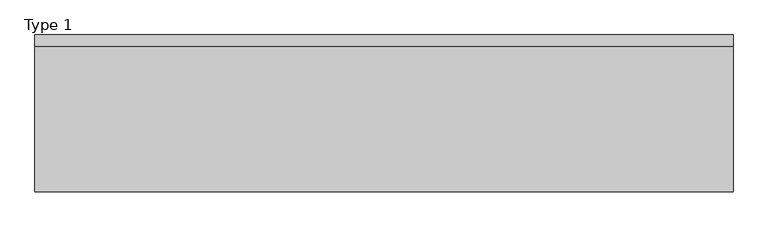
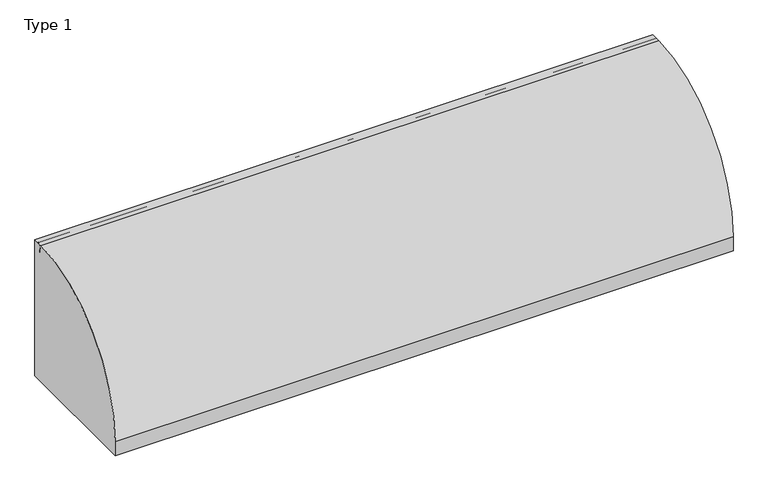
"""IFC4 building model written with IfcOpenShell, lengths in millimetres: railing geometry, Type 1."""

import ifcopenshell
import ifcopenshell.guid

model = None  # the IFC model being written
_history = None  # IfcOwnerHistory: only IFC2X3 demands one
_inside = {}  # id of a spatial element -> (the spatial element, [elements in it])
_under = {}  # id of a project, library or spatial element -> (it, [spatial elements below it])
_declared = {}  # id of a project -> (the project, [libraries it declares])
_typed = {}  # id of a type object -> (the type object, [elements of that type])
_made_of = {}  # id of a material, layer set ... -> (it, [elements and type objects made of it])


def new_model(schema):
    """Start an empty IFC model of exactly this schema.

    Asked for "IFC4X3", IfcOpenShell would pick the latest addendum, in which some entities
    have other attributes; the version numbers below select the first issue.
    IFC2X3 requires an IfcOwnerHistory on every rooted entity: one is made here for all.
    """
    global model, _history
    if schema == "IFC4X3":
        model = ifcopenshell.file(schema_version=(4, 3, 0, 0))
    else:
        model = ifcopenshell.file(schema=schema)
    _inside.clear()
    _under.clear()
    _declared.clear()
    _typed.clear()
    _made_of.clear()
    _history = None
    if model.schema == "IFC2X3":
        org = make("IfcOrganization", Name="unknown")
        user = make(
            "IfcPersonAndOrganization",
            ThePerson=make("IfcPerson", FamilyName="unknown"),
            TheOrganization=org,
        )
        app = make(
            "IfcApplication",
            ApplicationDeveloper=org,
            Version="unknown",
            ApplicationFullName="unknown",
            ApplicationIdentifier="unknown",
        )
        _history = make(
            "IfcOwnerHistory",
            OwningUser=user,
            OwningApplication=app,
            ChangeAction="ADDED",
            CreationDate=0,
        )
    return model


def make(cls, **values):
    """One entity of the class cls with the attributes given. An attribute that is None is left unset."""
    return model.create_entity(
        cls, **{name: value for name, value in values.items() if value is not None}
    )


def rooted(cls, **values):
    """An entity with a GlobalId (a new one), such as an element, a storey or a relation."""
    return make(cls, GlobalId=ifcopenshell.guid.new(), OwnerHistory=_history, **values)


def si_unit(unit_type, name, prefix=None):
    """IfcSIUnit, for example si_unit("LENGTHUNIT", "METRE", prefix="MILLI")."""
    return make("IfcSIUnit", UnitType=unit_type, Prefix=prefix, Name=name)


def assignment(units):
    """IfcUnitAssignment: the units of a project."""
    return None if units is None else make("IfcUnitAssignment", Units=units)


def point(xyz):
    """IfcCartesianPoint."""
    return None if xyz is None else make("IfcCartesianPoint", Coordinates=xyz)


def direction(xyz):
    """IfcDirection."""
    return None if xyz is None else make("IfcDirection", DirectionRatios=xyz)


def frame(location, z_axis=None, x_axis=None):
    """IfcAxis2Placement3D, a coordinate frame: its origin and axes. An axis left out is left unset."""
    return make(
        "IfcAxis2Placement3D",
        Location=point(location),
        Axis=direction(z_axis),
        RefDirection=direction(x_axis),
    )


def frame_2d(location, x_axis=None):
    """IfcAxis2Placement2D, a coordinate frame in the plane: its origin and x axis."""
    return make(
        "IfcAxis2Placement2D", Location=point(location), RefDirection=direction(x_axis)
    )


def origin():
    """The frame at (0, 0, 0) with its axes left unset."""
    return frame((0.0, 0.0, 0.0))


def origin_with_axes():
    """The frame at (0, 0, 0) with the z axis (0, 0, 1) and the x axis (1, 0, 0) written out."""
    return frame((0.0, 0.0, 0.0), z_axis=(0.0, 0.0, 1.0), x_axis=(1.0, 0.0, 0.0))


def place(relative_to, where):
    """IfcLocalPlacement: puts the frame where relative to a parent placement (None: the world)."""
    return make(
        "IfcLocalPlacement", PlacementRelTo=relative_to, RelativePlacement=where
    )


def context(
    kind, dimensions, precision=None, world=None, true_north=None, identifier=None
):
    """IfcGeometricRepresentationContext, for example the 3D "Model" context."""
    return make(
        "IfcGeometricRepresentationContext",
        ContextIdentifier=identifier,
        ContextType=kind,
        CoordinateSpaceDimension=dimensions,
        Precision=precision,
        WorldCoordinateSystem=world,
        TrueNorth=true_north,
    )


def project(units=None, contexts=None):
    """IfcProject with its units and contexts."""
    return rooted(
        "IfcProject",
        Name="project",
        RepresentationContexts=contexts,
        UnitsInContext=assignment(units),
    )


def spatial(cls, under=None, at=None, **own):
    """A site, building, storey or space (cls), placed at a placement, below another one or the project."""
    s = rooted(cls, ObjectPlacement=at, **own)
    if under is not None:
        _under.setdefault(under.id(), (under, []))[1].append(s)
    return s


def polyline(points):
    """IfcPolyline through the points."""
    return make("IfcPolyline", Points=[point(p) for p in points])


def circle_curve(where, radius):
    """IfcCircle in the frame where."""
    return make("IfcCircle", Position=where, Radius=radius)


def trimmed(basis, trim1, trim2, sense, master):
    """IfcTrimmedCurve: the piece of a basis curve between two trims."""
    return make(
        "IfcTrimmedCurve",
        BasisCurve=basis,
        Trim1=trim1,
        Trim2=trim2,
        SenseAgreement=sense,
        MasterRepresentation=master,
    )


def segment(curve, same_sense, transition):
    """IfcCompositeCurveSegment."""
    return make(
        "IfcCompositeCurveSegment",
        Transition=transition,
        SameSense=same_sense,
        ParentCurve=curve,
    )


def composite_curve(segments, self_intersect=None):
    """IfcCompositeCurve: segments joined end to end."""
    return make("IfcCompositeCurve", Segments=segments, SelfIntersect=self_intersect)


def outline(outer, holes=None, kind="AREA"):
    """IfcArbitraryClosedProfileDef: a profile drawn as a closed curve; with holes, ...WithVoids."""
    if holes is None:
        return make("IfcArbitraryClosedProfileDef", ProfileType=kind, OuterCurve=outer)
    return make(
        "IfcArbitraryProfileDefWithVoids",
        ProfileType=kind,
        OuterCurve=outer,
        InnerCurves=holes,
    )


def extrude(swept, where, along, depth):
    """IfcExtrudedAreaSolid: the profile swept, set in the frame where, extruded along a direction by depth."""
    return make(
        "IfcExtrudedAreaSolid",
        SweptArea=swept,
        Position=where,
        ExtrudedDirection=direction(along),
        Depth=depth,
    )


def shape(context_of_items, identifier, shape_type, items):
    """IfcShapeRepresentation: the items that make up one representation, for example the "Body"."""
    return make(
        "IfcShapeRepresentation",
        ContextOfItems=context_of_items,
        RepresentationIdentifier=identifier,
        RepresentationType=shape_type,
        Items=items,
    )


def source(mapping_origin, context_of_items, identifier, shape_type, items):
    """IfcRepresentationMap: a shape defined once, which mapped items show again and again."""
    return make(
        "IfcRepresentationMap",
        MappingOrigin=mapping_origin,
        MappedRepresentation=shape(context_of_items, identifier, shape_type, items),
    )


def transform(
    local_origin,
    x_axis=None,
    y_axis=None,
    z_axis=None,
    scale=None,
    scale2=None,
    scale3=None,
    uniform=True,
):
    """IfcCartesianTransformationOperator3D, or its non-uniform kind. x_axis, y_axis, z_axis: its Axis1, 2, 3."""
    if uniform:
        return make(
            "IfcCartesianTransformationOperator3D",
            Axis1=direction(x_axis),
            Axis2=direction(y_axis),
            LocalOrigin=point(local_origin),
            Scale=scale,
            Axis3=direction(z_axis),
        )
    return make(
        "IfcCartesianTransformationOperator3DnonUniform",
        Axis1=direction(x_axis),
        Axis2=direction(y_axis),
        LocalOrigin=point(local_origin),
        Scale=scale,
        Axis3=direction(z_axis),
        Scale2=scale2,
        Scale3=scale3,
    )


def mapped(mapping_source, mapping_target):
    """IfcMappedItem: shows the shape of a source again, moved by a transform."""
    return make(
        "IfcMappedItem", MappingSource=mapping_source, MappingTarget=mapping_target
    )


def made_of(thing, what):
    """Note that an element or type object is made of a material, layer set ...; save() writes the relation."""
    if what is not None:
        _made_of.setdefault(what.id(), (what, []))[1].append(thing)
    return thing


def element(
    cls,
    number,
    at=None,
    inside=None,
    cuts=None,
    type_object=None,
    material=None,
    context=None,
    identifier="Body",
    shape_type=None,
    held_by="IfcProductDefinitionShape",
    body=None,
    shapes=None,
    **own,
):
    """One element of the class cls, such as IfcWall. Its Tag is "e" and its number.

    at: its placement. inside: the storey or other place that contains it. cuts: it is an
    opening in that element (IfcRelVoidsElement). A single representation is given by context,
    identifier, shape_type and body (its items); several are given by shapes. held_by: the class
    of the entity that holds the representations. save() writes the other relations.
    """
    e = rooted(cls, Tag="e%d" % number, ObjectPlacement=at, **own)
    if body is not None:
        shapes = [shape(context, identifier, shape_type, body)]
    if shapes is not None:
        e.Representation = make(held_by, Representations=shapes)
    if inside is not None:
        _inside.setdefault(inside.id(), (inside, []))[1].append(e)
    if cuts is not None:
        rooted(
            "IfcRelVoidsElement", RelatingBuildingElement=cuts, RelatedOpeningElement=e
        )
    if type_object is not None:
        _typed.setdefault(type_object.id(), (type_object, []))[1].append(e)
    return made_of(e, material)


def aggregate(whole, parts):
    """IfcRelAggregates: a whole, such as a stair, and the parts it consists of."""
    return rooted("IfcRelAggregates", RelatingObject=whole, RelatedObjects=parts)


def save(model, path):
    """Write the relations noted so far, then the file.

    IfcRelAggregates (storeys below a building ...), IfcRelContainedInSpatialStructure (elements
    in a storey), IfcRelDefinesByType, IfcRelAssociatesMaterial and IfcRelDeclares: one each for
    every whole, place, type object, material and project.
    """
    for whole, parts in _under.values():
        aggregate(whole, parts)
    for where, things in _inside.values():
        rooted(
            "IfcRelContainedInSpatialStructure",
            RelatedElements=things,
            RelatingStructure=where,
        )
    for kind, things in _typed.values():
        rooted("IfcRelDefinesByType", RelatedObjects=things, RelatingType=kind)
    for what, things in _made_of.values():
        rooted("IfcRelAssociatesMaterial", RelatedObjects=things, RelatingMaterial=what)
    for by, libraries in _declared.values():
        rooted("IfcRelDeclares", RelatingContext=by, RelatedDefinitions=libraries)
    model.write(path)


def plane_surface(at):
    """IfcPlane: the flat surface through the origin of the frame at, square to its z axis."""
    return make("IfcPlane", Position=at)


def cylinder_surface(at, radius):
    """IfcCylindricalSurface: all points at the distance radius from the z axis of the frame at."""
    return make("IfcCylindricalSurface", Position=at, Radius=radius)


def revolved_surface(curve, axis_point, axis_direction):
    """IfcSurfaceOfRevolution: the curve turned about the line through axis_point along axis_direction."""
    return make(
        "IfcSurfaceOfRevolution",
        SweptCurve=make("IfcArbitraryOpenProfileDef", ProfileType="CURVE", Curve=curve),
        AxisPosition=make("IfcAxis1Placement", Location=point(axis_point), Axis=direction(axis_direction)),
    )


def advanced_brep(points, edges, surfaces, faces):
    """IfcAdvancedBrep: a solid bounded by faces that lie on surfaces and meet in shared edges.

    An edge is (start, end): straight between two places in points (the first is 0);
    or (start, end, curve); or (start, end, curve, False) where it runs against its curve.
    A face is (place in surfaces, loops), or (place, loops, False) where it looks against
    its surface's normal. A loop lists edges by number (the first is 1), with a minus sign
    where the edge is run from its end to its start. The first loop is the outer one.
    """
    corners = [point(p) for p in points]
    vertices = [make("IfcVertexPoint", VertexGeometry=c) for c in corners]
    made = []
    for start, end, *more in edges:
        made.append(
            make(
                "IfcEdgeCurve",
                EdgeStart=vertices[start],
                EdgeEnd=vertices[end],
                EdgeGeometry=more[0] if more else make("IfcPolyline", Points=[corners[start], corners[end]]),
                SameSense=more[1] if len(more) > 1 else True,
            )
        )
    hull = []
    for where, loops, *sense in faces:
        bounds = []
        for j, loop in enumerate(loops):
            ring = [make("IfcOrientedEdge", EdgeElement=made[abs(k) - 1], Orientation=k > 0) for k in loop]
            bounds.append(
                make(
                    "IfcFaceOuterBound" if j == 0 else "IfcFaceBound",
                    Bound=make("IfcEdgeLoop", EdgeList=ring),
                    Orientation=True,
                )
            )
        hull.append(make("IfcAdvancedFace", Bounds=bounds, FaceSurface=surfaces[where], SameSense=sense[0] if sense else True))
    return make("IfcAdvancedBrep", Outer=make("IfcClosedShell", CfsFaces=hull))


def type_1_f1863fc8(model_context):
    return source(origin(), model_context, "Body", "SolidModel", [
        extrude(outline(composite_curve([segment(polyline([(209.2, 1050.0), (209.2, 0.0), (-802.2, 0.0), (-802.2, 108.0)]), True, "CONTINUOUS"), segment(trimmed(circle_curve(frame_2d((139.8273072, 108.0)), 942.0273072), [point((-802.2, 108.0))], [point((132.6546144, 1050.0))], False, "CARTESIAN"), True, "CONTINUOUS"), segment(polyline([(132.6546144, 1050.0), (209.2, 1050.0)]), True, "CONTINUOUS")], self_intersect=False)), frame((-300.0, 0.0, 0.0), z_axis=(1.0, 0.0, 0.0), x_axis=(0.0, 1.0, 0.0)), (0.0, 0.0, 1.0), 4500.0),
        extrude(outline(composite_curve([segment(polyline([(112.7, 530.617273), (116.7, 530.617273), (116.7, 545.382727), (112.7, 545.382727)]), True, "CONTINUOUS"), segment(trimmed(circle_curve(frame_2d((131.287505, 538.0)), 20.0), [point((112.7, 545.382727))], [point((147.0, 550.3740657))], False, "CARTESIAN"), True, "CONTINUOUS"), segment(polyline([(147.0, 550.3740657), (147.0, 525.6259343)]), True, "CONTINUOUS"), segment(trimmed(circle_curve(frame_2d((131.287505, 538.0)), 20.0), [point((147.0, 525.6259343))], [point((112.7, 530.617273))], False, "CARTESIAN"), True, "CONTINUOUS")], self_intersect=False)), frame((-280.0, 0.0, 0.0), z_axis=(1.0, 0.0, 0.0), x_axis=(0.0, 1.0, 0.0)), (0.0, 0.0, 1.0), 4470.0),
        extrude(outline(composite_curve([segment(polyline([(187.0, 1011.43534), (187.0, 993.0), (186.0, 993.0), (186.0, 1008.0), (146.0, 1008.0), (146.0, 993.0), (145.0, 993.0), (145.0, 1011.43534)]), True, "CONTINUOUS"), segment(trimmed(circle_curve(frame_2d((166.0, 1025.0)), 25.0), [point((145.0, 1011.43534))], [point((187.0, 1011.43534))], False, "CARTESIAN"), True, "CONTINUOUS")], self_intersect=False)), frame((-300.0, 0.0, 0.0), z_axis=(1.0, 0.0, 0.0), x_axis=(0.0, 1.0, 0.0)), (0.0, 0.0, 1.0), 4500.0),
        extrude(outline(polyline([(1870.0, 185.0), (1915.0, 185.0), (1915.0, 0.0), (1870.0, 0.0), (1870.0, 185.0)])), origin_with_axes(), (0.0, 0.0, 1.0), 2.5),
        extrude(outline(composite_curve([segment(polyline([(185.0, 185.0), (185.0, 0.0), (0.0, 0.0), (0.0, 54.9560848)]), True, "CONTINUOUS"), segment(trimmed(circle_curve(frame_2d((15.0, 54.9560848)), 15.0), [point((0.0, 54.9560848))], [point((4.3933983, 65.5626865))], False, "CARTESIAN"), True, "CONTINUOUS"), segment(polyline([(4.3933983, 65.5626865), (102.485009, 163.6542973)]), True, "CONTINUOUS"), segment(trimmed(circle_curve(frame_2d((154.0180942, 112.1212122)), 72.8787879), [point((102.485009, 163.6542973))], [point((154.0180942, 185.0))], False, "CARTESIAN"), True, "CONTINUOUS"), segment(polyline([(154.0180942, 185.0), (185.0, 185.0)]), True, "CONTINUOUS")], self_intersect=False), holes=[composite_curve([segment(trimmed(circle_curve(frame_2d((165.5151515, 93.0361975)), 67.389419), [point((98.1257325, 93.0361975))], [point((157.417745, 159.9373619))], False, "CARTESIAN"), True, "CONTINUOUS"), segment(trimmed(circle_curve(frame_2d((157.6849895, 157.7293747)), 2.2241014), [point((157.417745, 159.9373619))], [point((159.9090909, 157.7293747))], False, "CARTESIAN"), True, "CONTINUOUS"), segment(polyline([(159.9090909, 157.7293747), (159.9090909, 143.5676849)]), True, "CONTINUOUS"), segment(trimmed(circle_curve(frame_2d((165.5151515, 143.5676849)), 5.6060606), [point((159.9090909, 143.5676849))], [point((171.1212121, 143.5676849))], True, "CARTESIAN"), True, "CONTINUOUS"), segment(polyline([(171.1212121, 143.5676849), (171.1212121, 166.0316771)]), True, "CONTINUOUS"), segment(trimmed(circle_curve(frame_2d((165.5151515, 166.0316771)), 5.6060606), [point((171.1212121, 166.0316771))], [point((165.5151515, 171.6377377))], True, "CARTESIAN"), True, "CONTINUOUS"), segment(trimmed(circle_curve(frame_2d((165.5151515, 93.0361975)), 78.6015402), [point((165.5151515, 171.6377377))], [point((86.9136113, 93.0361975))], True, "CARTESIAN"), True, "CONTINUOUS"), segment(trimmed(circle_curve(frame_2d((92.5196719, 93.0361975)), 5.6060606), [point((86.9136113, 93.0361975))], [point((98.1257325, 93.0361975))], True, "CARTESIAN"), True, "CONTINUOUS")], self_intersect=False)]), frame((1915.0, 0.0, 0.0), z_axis=(1.0, 0.0, 0.0), x_axis=(0.0, 1.0, 0.0)), (0.0, 0.0, 1.0), 3.0),
        advanced_brep(
        [(1982.0, 185.0, 185.0), (1982.0, 185.0, 100.9768515), (1982.0, 185.0, 0.0), (1982.0, 0.0, 0.0), (1982.0, 0.0, 54.9560848), (1982.0, 4.3933983, 65.5626865), (1982.0, 102.485009, 163.6542973), (1982.0, 154.0180942, 185.0), (1982.0, 98.1257325, 93.0361975), (1982.0, 157.417745, 159.9373619), (1982.0, 159.9090909, 157.7293747), (1982.0, 159.9090909, 143.5676849), (1982.0, 171.1212121, 143.5676849), (1982.0, 171.1212121, 166.0316771), (1982.0, 165.5151515, 171.6377377), (1982.0, 86.9136113, 93.0361975), (1985.0, 0.0, 54.9560848), (1985.0, 0.0, 2.5), (1985.0, 185.0, 2.5), (1985.0, 185.0, 100.9768515), (1985.0, 188.0, 100.9768515), (1985.0, 188.0, 185.0), (1985.0, 154.0180942, 185.0), (1985.0, 102.485009, 163.6542973), (1985.0, 4.3933983, 65.5626865), (1985.0, 98.1257325, 93.0361975), (1985.0, 86.9136113, 93.0361975), (1985.0, 165.5151515, 171.6377377), (1985.0, 171.1212121, 166.0316771), (1985.0, 171.1212121, 143.5676849), (1985.0, 159.9090909, 143.5676849), (1985.0, 159.9090909, 157.7293747), (1985.0, 157.417745, 159.9373619), (1915.0, 188.0, 185.0), (1915.0, 185.0, 185.0), (2030.0, 0.0, 0.0), (2030.0, 0.0, 2.5), (2030.0, 185.0, 0.0), (2030.0, 185.0, 2.5), (1915.0, 188.0, 100.9768515), (1915.0, 185.0, 100.9768515)],
        [
            (0, 1),
            (1, 2),
            (2, 3),
            (3, 4),
            (4, 5, circle_curve(frame((1982.0, 15.0, 54.9560848), z_axis=(-1.0, 0.0, 0.0), x_axis=(0.0, 1.0, 0.0)), 15.0)),
            (5, 6),
            (6, 7, circle_curve(frame((1982.0, 154.0180942, 112.1212122), z_axis=(-1.0, 0.0, 0.0), x_axis=(0.0, 1.0, 0.0)), 72.8787879)),
            (7, 0),
            (8, 9, circle_curve(frame((1982.0, 165.5151515, 93.0361975), z_axis=(-1.0, 0.0, 0.0), x_axis=(0.0, 1.0, 0.0)), 67.389419)),
            (9, 10, circle_curve(frame((1982.0, 157.6849895, 157.7293747), z_axis=(-1.0, 0.0, 0.0), x_axis=(0.0, 1.0, 0.0)), 2.2241014)),
            (10, 11),
            (11, 12, circle_curve(frame((1982.0, 165.5151515, 143.5676849), z_axis=(1.0, 0.0, 0.0), x_axis=(0.0, 1.0, 0.0)), 5.6060606)),
            (12, 13),
            (13, 14, circle_curve(frame((1982.0, 165.5151515, 166.0316771), z_axis=(1.0, 0.0, 0.0), x_axis=(0.0, 1.0, 0.0)), 5.6060606)),
            (14, 15, circle_curve(frame((1982.0, 165.5151515, 93.0361975), z_axis=(1.0, 0.0, 0.0), x_axis=(0.0, 1.0, 0.0)), 78.6015402)),
            (15, 8, circle_curve(frame((1982.0, 92.5196719, 93.0361975), z_axis=(1.0, 0.0, 0.0), x_axis=(0.0, 1.0, 0.0)), 5.6060606)),
            (16, 17),
            (17, 18),
            (18, 19),
            (19, 20),
            (20, 21),
            (21, 22),
            (22, 23, circle_curve(frame((1985.0, 154.0180942, 112.1212122), z_axis=(1.0, 0.0, 0.0), x_axis=(0.0, 1.0, 0.0)), 72.8787879)),
            (23, 24),
            (24, 16, circle_curve(frame((1985.0, 15.0, 54.9560848), z_axis=(1.0, 0.0, 0.0), x_axis=(0.0, 1.0, 0.0)), 15.0)),
            (25, 26, circle_curve(frame((1985.0, 92.5196719, 93.0361975), z_axis=(-1.0, 0.0, 0.0), x_axis=(0.0, 1.0, 0.0)), 5.6060606)),
            (26, 27, circle_curve(frame((1985.0, 165.5151515, 93.0361975), z_axis=(-1.0, 0.0, 0.0), x_axis=(0.0, 1.0, 0.0)), 78.6015402)),
            (27, 28, circle_curve(frame((1985.0, 165.5151515, 166.0316771), z_axis=(-1.0, 0.0, 0.0), x_axis=(0.0, 1.0, 0.0)), 5.6060606)),
            (28, 29),
            (29, 30, circle_curve(frame((1985.0, 165.5151515, 143.5676849), z_axis=(-1.0, 0.0, 0.0), x_axis=(0.0, 1.0, 0.0)), 5.6060606)),
            (30, 31),
            (31, 32, circle_curve(frame((1985.0, 157.6849895, 157.7293747), z_axis=(1.0, 0.0, 0.0), x_axis=(0.0, 1.0, 0.0)), 2.2241014)),
            (32, 25, circle_curve(frame((1985.0, 165.5151515, 93.0361975), z_axis=(1.0, 0.0, 0.0), x_axis=(0.0, 1.0, 0.0)), 67.389419)),
            (7, 22),
            (21, 33),
            (33, 34),
            (34, 0),
            (6, 23),
            (5, 24),
            (4, 16),
            (3, 35),
            (35, 36),
            (36, 17),
            (2, 37),
            (37, 35),
            (1, 19),
            (18, 38),
            (38, 37),
            (15, 26),
            (25, 8),
            (14, 27),
            (13, 28),
            (32, 9),
            (12, 29),
            (11, 30),
            (10, 31),
            (20, 39),
            (39, 33),
            (40, 1),
            (34, 40),
            (39, 40),
            (36, 38),
        ],
        [
            plane_surface(frame((1982.0, 183.2270223, 185.0), z_axis=(-1.0, 0.0, 0.0), x_axis=(0.0, -1.0, 0.0))),
            plane_surface(frame((1985.0, 183.2270223, 185.0), z_axis=(1.0, 0.0, 0.0), x_axis=(0.0, 1.0, 0.0))),
            plane_surface(frame((1982.0, 185.0, 185.0), z_axis=(0.0, 0.0, 1.0), x_axis=(1.0, 0.0, 0.0))),
            cylinder_surface(frame((1985.0, 154.0180942, 112.1212122), z_axis=(-1.0, 0.0, 0.0), x_axis=(0.0, 1.0, 0.0)), 72.8787879),
            plane_surface(frame((1982.0, 102.485009, 163.6542973), z_axis=(0.0, -0.7071067811865421, 0.707106781186553), x_axis=(1.0, 0.0, 0.0))),
            cylinder_surface(frame((1985.0, 15.0, 54.9560848), z_axis=(-1.0, 0.0, 0.0), x_axis=(0.0, 1.0, 0.0)), 15.0),
            plane_surface(frame((1982.0, 0.0, 54.9560848), z_axis=(0.0, -1.0, 0.0), x_axis=(1.0, 0.0, 0.0))),
            plane_surface(frame((1982.0, 0.0, 0.0), z_axis=(0.0, 0.0, -1.0), x_axis=(1.0, 0.0, 0.0))),
            plane_surface(frame((1982.0, 185.0, 0.0), z_axis=(0.0, 1.0, 0.0), x_axis=(1.0, 0.0, 0.0))),
            revolved_surface(polyline([(1985.0, 98.12573250000001, 93.0361975), (1982.0, 98.12573250000001, 93.0361975)]), (1985.0, 92.5196719, 93.0361975), (1.0, 0.0, 0.0)),
            revolved_surface(polyline([(1985.0, 244.1166917, 93.0361975), (1982.0, 244.1166917, 93.0361975)]), (1985.0, 165.5151515, 93.0361975), (1.0, 0.0, 0.0)),
            revolved_surface(polyline([(1985.0, 171.1212121, 166.0316771), (1982.0, 171.1212121, 166.0316771)]), (1985.0, 165.5151515, 166.0316771), (1.0, 0.0, 0.0)),
            cylinder_surface(frame((1985.0, 165.5151515, 93.0361975), z_axis=(-1.0, 0.0, 0.0), x_axis=(0.0, 1.0, 0.0)), 67.389419),
            plane_surface(frame((1982.0, 171.1212121, 166.0316771), z_axis=(0.0, -1.0, 0.0), x_axis=(1.0, 0.0, 0.0))),
            revolved_surface(polyline([(1985.0, 171.1212121, 143.5676849), (1982.0, 171.1212121, 143.5676849)]), (1985.0, 165.5151515, 143.5676849), (1.0, 0.0, 0.0)),
            plane_surface(frame((1982.0, 159.9090909, 143.5676849), z_axis=(0.0, 1.0, 0.0), x_axis=(1.0, 0.0, 0.0))),
            cylinder_surface(frame((1985.0, 157.6849895, 157.7293747), z_axis=(-1.0, 0.0, 0.0), x_axis=(0.0, 1.0, 0.0)), 2.2241014),
            plane_surface(frame((1915.0, 188.0, 185.0), z_axis=(0.0, 1.0, 0.0), x_axis=(-1.0, 0.0, 0.0))),
            plane_surface(frame((1915.0, 185.0, 185.0), z_axis=(0.0, -1.0, 0.0), x_axis=(1.0, 0.0, 0.0))),
            plane_surface(frame((1915.0, 188.0, 185.0), z_axis=(-1.0, 0.0, 0.0), x_axis=(0.0, -1.0, 0.0))),
            plane_surface(frame((1915.0, 188.0, 100.9768515), z_axis=(0.0, 0.0, -1.0), x_axis=(0.0, -1.0, 0.0))),
            plane_surface(frame((2030.0, 185.0, 2.5), z_axis=(0.0, 0.0, 1.0), x_axis=(0.0, -1.0, 0.0))),
            plane_surface(frame((2030.0, 185.0, 2.5), z_axis=(1.0, 0.0, 0.0), x_axis=(0.0, 0.0, -1.0))),
        ],
        [
            (0, [[1, 2, 3, 4, 5, 6, 7, 8], [9, 10, 11, 12, 13, 14, 15, 16]]),
            (1, [[17, 18, 19, 20, 21, 22, 23, 24, 25], [26, 27, 28, 29, 30, 31, 32, 33]]),
            (2, [[34, -22, 35, 36, 37, -8]]),
            (3, [[38, -23, -34, -7]]),
            (4, [[39, -24, -38, -6]]),
            (5, [[40, -25, -39, -5]]),
            (6, [[41, 42, 43, -17, -40, -4]]),
            (7, [[44, 45, -41, -3]]),
            (8, [[-2, 46, -19, 47, 48, -44]]),
            (9, [[49, -26, 50, -16]]),
            (10, [[51, -27, -49, -15]]),
            (11, [[52, -28, -51, -14]]),
            (12, [[-50, -33, 53, -9]]),
            (13, [[54, -29, -52, -13]]),
            (14, [[55, -30, -54, -12]]),
            (15, [[56, -31, -55, -11]]),
            (16, [[-53, -32, -56, -10]]),
            (17, [[-21, 57, 58, -35]]),
            (18, [[59, -1, -37, 60]]),
            (19, [[61, -60, -36, -58]]),
            (20, [[-20, -46, -59, -61, -57]]),
            (21, [[-47, -18, -43, 62]]),
            (22, [[-42, -45, -48, -62]]),
        ],
    ),
        extrude(outline(composite_curve([segment(polyline([(1927.0, 185.0), (1973.0, 185.0)]), True, "CONTINUOUS"), segment(trimmed(circle_curve(frame_2d((1973.0, 180.0)), 5.0), [point((1973.0, 185.0))], [point((1978.0, 180.0))], False, "CARTESIAN"), True, "CONTINUOUS"), segment(polyline([(1978.0, 180.0), (1978.0, 152.0)]), True, "CONTINUOUS"), segment(trimmed(circle_curve(frame_2d((1973.0, 152.0)), 5.0), [point((1978.0, 152.0))], [point((1973.0, 147.0))], False, "CARTESIAN"), True, "CONTINUOUS"), segment(polyline([(1973.0, 147.0), (1927.0, 147.0)]), True, "CONTINUOUS"), segment(trimmed(circle_curve(frame_2d((1927.0, 152.0)), 5.0), [point((1927.0, 147.0))], [point((1922.0, 152.0))], False, "CARTESIAN"), True, "CONTINUOUS"), segment(polyline([(1922.0, 152.0), (1922.0, 180.0)]), True, "CONTINUOUS"), segment(trimmed(circle_curve(frame_2d((1927.0, 180.0)), 5.0), [point((1922.0, 180.0))], [point((1927.0, 185.0))], False, "CARTESIAN"), True, "CONTINUOUS")], self_intersect=False)), frame((0.0, 0.0, 43.0), z_axis=(0.0, 0.0, 1.0), x_axis=(1.0, 0.0, 0.0)), (0.0, 0.0, 1.0), 965.0),
        extrude(outline(polyline([(3792.0, 185.0), (3837.0, 185.0), (3837.0, 0.0), (3792.0, 0.0), (3792.0, 185.0)])), origin_with_axes(), (0.0, 0.0, 1.0), 2.5),
        extrude(outline(composite_curve([segment(polyline([(185.0, 185.0), (185.0, 0.0), (0.0, 0.0), (0.0, 54.9560848)]), True, "CONTINUOUS"), segment(trimmed(circle_curve(frame_2d((15.0, 54.9560848)), 15.0), [point((0.0, 54.9560848))], [point((4.3933983, 65.5626865))], False, "CARTESIAN"), True, "CONTINUOUS"), segment(polyline([(4.3933983, 65.5626865), (102.485009, 163.6542973)]), True, "CONTINUOUS"), segment(trimmed(circle_curve(frame_2d((154.0180942, 112.1212122)), 72.8787879), [point((102.485009, 163.6542973))], [point((154.0180942, 185.0))], False, "CARTESIAN"), True, "CONTINUOUS"), segment(polyline([(154.0180942, 185.0), (185.0, 185.0)]), True, "CONTINUOUS")], self_intersect=False), holes=[composite_curve([segment(trimmed(circle_curve(frame_2d((165.5151515, 93.0361975)), 67.389419), [point((98.1257325, 93.0361975))], [point((157.417745, 159.9373619))], False, "CARTESIAN"), True, "CONTINUOUS"), segment(trimmed(circle_curve(frame_2d((157.6849895, 157.7293747)), 2.2241014), [point((157.417745, 159.9373619))], [point((159.9090909, 157.7293747))], False, "CARTESIAN"), True, "CONTINUOUS"), segment(polyline([(159.9090909, 157.7293747), (159.9090909, 143.5676849)]), True, "CONTINUOUS"), segment(trimmed(circle_curve(frame_2d((165.5151515, 143.5676849)), 5.6060606), [point((159.9090909, 143.5676849))], [point((171.1212121, 143.5676849))], True, "CARTESIAN"), True, "CONTINUOUS"), segment(polyline([(171.1212121, 143.5676849), (171.1212121, 166.0316771)]), True, "CONTINUOUS"), segment(trimmed(circle_curve(frame_2d((165.5151515, 166.0316771)), 5.6060606), [point((171.1212121, 166.0316771))], [point((165.5151515, 171.6377377))], True, "CARTESIAN"), True, "CONTINUOUS"), segment(trimmed(circle_curve(frame_2d((165.5151515, 93.0361975)), 78.6015402), [point((165.5151515, 171.6377377))], [point((86.9136113, 93.0361975))], True, "CARTESIAN"), True, "CONTINUOUS"), segment(trimmed(circle_curve(frame_2d((92.5196719, 93.0361975)), 5.6060606), [point((86.9136113, 93.0361975))], [point((98.1257325, 93.0361975))], True, "CARTESIAN"), True, "CONTINUOUS")], self_intersect=False)]), frame((3837.0, 0.0, 0.0), z_axis=(1.0, 0.0, 0.0), x_axis=(0.0, 1.0, 0.0)), (0.0, 0.0, 1.0), 3.0),
        advanced_brep(
        [(3904.0, 185.0, 185.0), (3904.0, 185.0, 100.9768515), (3904.0, 185.0, 0.0), (3904.0, 0.0, 0.0), (3904.0, 0.0, 54.9560848), (3904.0, 4.3933983, 65.5626865), (3904.0, 102.485009, 163.6542973), (3904.0, 154.0180942, 185.0), (3904.0, 98.1257325, 93.0361975), (3904.0, 157.417745, 159.9373619), (3904.0, 159.9090909, 157.7293747), (3904.0, 159.9090909, 143.5676849), (3904.0, 171.1212121, 143.5676849), (3904.0, 171.1212121, 166.0316771), (3904.0, 165.5151515, 171.6377377), (3904.0, 86.9136113, 93.0361975), (3907.0, 0.0, 54.9560848), (3907.0, 0.0, 2.5), (3907.0, 185.0, 2.5), (3907.0, 185.0, 100.9768515), (3907.0, 188.0, 100.9768515), (3907.0, 188.0, 185.0), (3907.0, 154.0180942, 185.0), (3907.0, 102.485009, 163.6542973), (3907.0, 4.3933983, 65.5626865), (3907.0, 98.1257325, 93.0361975), (3907.0, 86.9136113, 93.0361975), (3907.0, 165.5151515, 171.6377377), (3907.0, 171.1212121, 166.0316771), (3907.0, 171.1212121, 143.5676849), (3907.0, 159.9090909, 143.5676849), (3907.0, 159.9090909, 157.7293747), (3907.0, 157.417745, 159.9373619), (3837.0, 188.0, 185.0), (3837.0, 185.0, 185.0), (3952.0, 0.0, 0.0), (3952.0, 0.0, 2.5), (3952.0, 185.0, 0.0), (3952.0, 185.0, 2.5), (3837.0, 188.0, 100.9768515), (3837.0, 185.0, 100.9768515)],
        [
            (0, 1),
            (1, 2),
            (2, 3),
            (3, 4),
            (4, 5, circle_curve(frame((3904.0, 15.0, 54.9560848), z_axis=(-1.0, 0.0, 0.0), x_axis=(0.0, 1.0, 0.0)), 15.0)),
            (5, 6),
            (6, 7, circle_curve(frame((3904.0, 154.0180942, 112.1212122), z_axis=(-1.0, 0.0, 0.0), x_axis=(0.0, 1.0, 0.0)), 72.8787879)),
            (7, 0),
            (8, 9, circle_curve(frame((3904.0, 165.5151515, 93.0361975), z_axis=(-1.0, 0.0, 0.0), x_axis=(0.0, 1.0, 0.0)), 67.389419)),
            (9, 10, circle_curve(frame((3904.0, 157.6849895, 157.7293747), z_axis=(-1.0, 0.0, 0.0), x_axis=(0.0, 1.0, 0.0)), 2.2241014)),
            (10, 11),
            (11, 12, circle_curve(frame((3904.0, 165.5151515, 143.5676849), z_axis=(1.0, 0.0, 0.0), x_axis=(0.0, 1.0, 0.0)), 5.6060606)),
            (12, 13),
            (13, 14, circle_curve(frame((3904.0, 165.5151515, 166.0316771), z_axis=(1.0, 0.0, 0.0), x_axis=(0.0, 1.0, 0.0)), 5.6060606)),
            (14, 15, circle_curve(frame((3904.0, 165.5151515, 93.0361975), z_axis=(1.0, 0.0, 0.0), x_axis=(0.0, 1.0, 0.0)), 78.6015402)),
            (15, 8, circle_curve(frame((3904.0, 92.5196719, 93.0361975), z_axis=(1.0, 0.0, 0.0), x_axis=(0.0, 1.0, 0.0)), 5.6060606)),
            (16, 17),
            (17, 18),
            (18, 19),
            (19, 20),
            (20, 21),
            (21, 22),
            (22, 23, circle_curve(frame((3907.0, 154.0180942, 112.1212122), z_axis=(1.0, 0.0, 0.0), x_axis=(0.0, 1.0, 0.0)), 72.8787879)),
            (23, 24),
            (24, 16, circle_curve(frame((3907.0, 15.0, 54.9560848), z_axis=(1.0, 0.0, 0.0), x_axis=(0.0, 1.0, 0.0)), 15.0)),
            (25, 26, circle_curve(frame((3907.0, 92.5196719, 93.0361975), z_axis=(-1.0, 0.0, 0.0), x_axis=(0.0, 1.0, 0.0)), 5.6060606)),
            (26, 27, circle_curve(frame((3907.0, 165.5151515, 93.0361975), z_axis=(-1.0, 0.0, 0.0), x_axis=(0.0, 1.0, 0.0)), 78.6015402)),
            (27, 28, circle_curve(frame((3907.0, 165.5151515, 166.0316771), z_axis=(-1.0, 0.0, 0.0), x_axis=(0.0, 1.0, 0.0)), 5.6060606)),
            (28, 29),
            (29, 30, circle_curve(frame((3907.0, 165.5151515, 143.5676849), z_axis=(-1.0, 0.0, 0.0), x_axis=(0.0, 1.0, 0.0)), 5.6060606)),
            (30, 31),
            (31, 32, circle_curve(frame((3907.0, 157.6849895, 157.7293747), z_axis=(1.0, 0.0, 0.0), x_axis=(0.0, 1.0, 0.0)), 2.2241014)),
            (32, 25, circle_curve(frame((3907.0, 165.5151515, 93.0361975), z_axis=(1.0, 0.0, 0.0), x_axis=(0.0, 1.0, 0.0)), 67.389419)),
            (7, 22),
            (21, 33),
            (33, 34),
            (34, 0),
            (6, 23),
            (5, 24),
            (4, 16),
            (3, 35),
            (35, 36),
            (36, 17),
            (2, 37),
            (37, 35),
            (1, 19),
            (18, 38),
            (38, 37),
            (15, 26),
            (25, 8),
            (14, 27),
            (13, 28),
            (32, 9),
            (12, 29),
            (11, 30),
            (10, 31),
            (20, 39),
            (39, 33),
            (40, 1),
            (34, 40),
            (39, 40),
            (36, 38),
        ],
        [
            plane_surface(frame((3904.0, 183.2270223, 185.0), z_axis=(-1.0, 0.0, 0.0), x_axis=(0.0, -1.0, 0.0))),
            plane_surface(frame((3907.0, 183.2270223, 185.0), z_axis=(1.0, 0.0, 0.0), x_axis=(0.0, 1.0, 0.0))),
            plane_surface(frame((3904.0, 185.0, 185.0), z_axis=(0.0, 0.0, 1.0), x_axis=(1.0, 0.0, 0.0))),
            cylinder_surface(frame((3907.0, 154.0180942, 112.1212122), z_axis=(-1.0, 0.0, 0.0), x_axis=(0.0, 1.0, 0.0)), 72.8787879),
            plane_surface(frame((3904.0, 102.485009, 163.6542973), z_axis=(0.0, -0.7071067811865421, 0.707106781186553), x_axis=(1.0, 0.0, 0.0))),
            cylinder_surface(frame((3907.0, 15.0, 54.9560848), z_axis=(-1.0, 0.0, 0.0), x_axis=(0.0, 1.0, 0.0)), 15.0),
            plane_surface(frame((3904.0, 0.0, 54.9560848), z_axis=(0.0, -1.0, 0.0), x_axis=(1.0, 0.0, 0.0))),
            plane_surface(frame((3904.0, 0.0, 0.0), z_axis=(0.0, 0.0, -1.0), x_axis=(1.0, 0.0, 0.0))),
            plane_surface(frame((3904.0, 185.0, 0.0), z_axis=(0.0, 1.0, 0.0), x_axis=(1.0, 0.0, 0.0))),
            revolved_surface(polyline([(3907.0, 98.12573250000001, 93.0361975), (3904.0, 98.12573250000001, 93.0361975)]), (3907.0, 92.5196719, 93.0361975), (1.0, 0.0, 0.0)),
            revolved_surface(polyline([(3907.0, 244.1166917, 93.0361975), (3904.0, 244.1166917, 93.0361975)]), (3907.0, 165.5151515, 93.0361975), (1.0, 0.0, 0.0)),
            revolved_surface(polyline([(3907.0, 171.1212121, 166.0316771), (3904.0, 171.1212121, 166.0316771)]), (3907.0, 165.5151515, 166.0316771), (1.0, 0.0, 0.0)),
            cylinder_surface(frame((3907.0, 165.5151515, 93.0361975), z_axis=(-1.0, 0.0, 0.0), x_axis=(0.0, 1.0, 0.0)), 67.389419),
            plane_surface(frame((3904.0, 171.1212121, 166.0316771), z_axis=(0.0, -1.0, 0.0), x_axis=(1.0, 0.0, 0.0))),
            revolved_surface(polyline([(3907.0, 171.1212121, 143.5676849), (3904.0, 171.1212121, 143.5676849)]), (3907.0, 165.5151515, 143.5676849), (1.0, 0.0, 0.0)),
            plane_surface(frame((3904.0, 159.9090909, 143.5676849), z_axis=(0.0, 1.0, 0.0), x_axis=(1.0, 0.0, 0.0))),
            cylinder_surface(frame((3907.0, 157.6849895, 157.7293747), z_axis=(-1.0, 0.0, 0.0), x_axis=(0.0, 1.0, 0.0)), 2.2241014),
            plane_surface(frame((3837.0, 188.0, 185.0), z_axis=(0.0, 1.0, 0.0), x_axis=(-1.0, 0.0, 0.0))),
            plane_surface(frame((3837.0, 185.0, 185.0), z_axis=(0.0, -1.0, 0.0), x_axis=(1.0, 0.0, 0.0))),
            plane_surface(frame((3837.0, 188.0, 185.0), z_axis=(-1.0, 0.0, 0.0), x_axis=(0.0, -1.0, 0.0))),
            plane_surface(frame((3837.0, 188.0, 100.9768515), z_axis=(0.0, 0.0, -1.0), x_axis=(0.0, -1.0, 0.0))),
            plane_surface(frame((3952.0, 185.0, 2.5), z_axis=(0.0, 0.0, 1.0), x_axis=(0.0, -1.0, 0.0))),
            plane_surface(frame((3952.0, 185.0, 2.5), z_axis=(1.0, 0.0, 0.0), x_axis=(0.0, 0.0, -1.0))),
        ],
        [
            (0, [[1, 2, 3, 4, 5, 6, 7, 8], [9, 10, 11, 12, 13, 14, 15, 16]]),
            (1, [[17, 18, 19, 20, 21, 22, 23, 24, 25], [26, 27, 28, 29, 30, 31, 32, 33]]),
            (2, [[34, -22, 35, 36, 37, -8]]),
            (3, [[38, -23, -34, -7]]),
            (4, [[39, -24, -38, -6]]),
            (5, [[40, -25, -39, -5]]),
            (6, [[41, 42, 43, -17, -40, -4]]),
            (7, [[44, 45, -41, -3]]),
            (8, [[-2, 46, -19, 47, 48, -44]]),
            (9, [[49, -26, 50, -16]]),
            (10, [[51, -27, -49, -15]]),
            (11, [[52, -28, -51, -14]]),
            (12, [[-50, -33, 53, -9]]),
            (13, [[54, -29, -52, -13]]),
            (14, [[55, -30, -54, -12]]),
            (15, [[56, -31, -55, -11]]),
            (16, [[-53, -32, -56, -10]]),
            (17, [[-21, 57, 58, -35]]),
            (18, [[59, -1, -37, 60]]),
            (19, [[61, -60, -36, -58]]),
            (20, [[-20, -46, -59, -61, -57]]),
            (21, [[-47, -18, -43, 62]]),
            (22, [[-42, -45, -48, -62]]),
        ],
    ),
        extrude(outline(composite_curve([segment(polyline([(3849.0, 185.0), (3895.0, 185.0)]), True, "CONTINUOUS"), segment(trimmed(circle_curve(frame_2d((3895.0, 180.0)), 5.0), [point((3895.0, 185.0))], [point((3900.0, 180.0))], False, "CARTESIAN"), True, "CONTINUOUS"), segment(polyline([(3900.0, 180.0), (3900.0, 152.0)]), True, "CONTINUOUS"), segment(trimmed(circle_curve(frame_2d((3895.0, 152.0)), 5.0), [point((3900.0, 152.0))], [point((3895.0, 147.0))], False, "CARTESIAN"), True, "CONTINUOUS"), segment(polyline([(3895.0, 147.0), (3849.0, 147.0)]), True, "CONTINUOUS"), segment(trimmed(circle_curve(frame_2d((3849.0, 152.0)), 5.0), [point((3849.0, 147.0))], [point((3844.0, 152.0))], False, "CARTESIAN"), True, "CONTINUOUS"), segment(polyline([(3844.0, 152.0), (3844.0, 180.0)]), True, "CONTINUOUS"), segment(trimmed(circle_curve(frame_2d((3849.0, 180.0)), 5.0), [point((3844.0, 180.0))], [point((3849.0, 185.0))], False, "CARTESIAN"), True, "CONTINUOUS")], self_intersect=False)), frame((0.0, 0.0, 43.0), z_axis=(0.0, 0.0, 1.0), x_axis=(1.0, 0.0, 0.0)), (0.0, 0.0, 1.0), 965.0),
        extrude(outline(polyline([(-52.0, 185.0), (-7.0, 185.0), (-7.0, 0.0), (-52.0, 0.0), (-52.0, 185.0)])), origin_with_axes(), (0.0, 0.0, 1.0), 2.5),
        extrude(outline(composite_curve([segment(polyline([(185.0, 185.0), (185.0, 0.0), (0.0, 0.0), (0.0, 54.9560848)]), True, "CONTINUOUS"), segment(trimmed(circle_curve(frame_2d((15.0, 54.9560848)), 15.0), [point((0.0, 54.9560848))], [point((4.3933983, 65.5626865))], False, "CARTESIAN"), True, "CONTINUOUS"), segment(polyline([(4.3933983, 65.5626865), (102.485009, 163.6542972)]), True, "CONTINUOUS"), segment(trimmed(circle_curve(frame_2d((154.0180942, 112.1212121)), 72.8787879), [point((102.485009, 163.6542972))], [point((154.0180942, 185.0))], False, "CARTESIAN"), True, "CONTINUOUS"), segment(polyline([(154.0180942, 185.0), (185.0, 185.0)]), True, "CONTINUOUS")], self_intersect=False), holes=[composite_curve([segment(trimmed(circle_curve(frame_2d((165.5151515, 93.0361974)), 67.389419), [point((98.1257325, 93.0361974))], [point((157.417745, 159.9373618))], False, "CARTESIAN"), True, "CONTINUOUS"), segment(trimmed(circle_curve(frame_2d((157.6849895, 157.7293746)), 2.2241014), [point((157.417745, 159.9373618))], [point((159.9090909, 157.7293746))], False, "CARTESIAN"), True, "CONTINUOUS"), segment(polyline([(159.9090909, 157.7293746), (159.9090909, 143.5676849)]), True, "CONTINUOUS"), segment(trimmed(circle_curve(frame_2d((165.5151515, 143.5676849)), 5.6060606), [point((159.9090909, 143.5676849))], [point((171.1212121, 143.5676849))], True, "CARTESIAN"), True, "CONTINUOUS"), segment(polyline([(171.1212121, 143.5676849), (171.1212121, 166.031677)]), True, "CONTINUOUS"), segment(trimmed(circle_curve(frame_2d((165.5151515, 166.031677)), 5.6060606), [point((171.1212121, 166.031677))], [point((165.5151515, 171.6377376))], True, "CARTESIAN"), True, "CONTINUOUS"), segment(trimmed(circle_curve(frame_2d((165.5151515, 93.0361974)), 78.6015402), [point((165.5151515, 171.6377376))], [point((86.9136113, 93.0361974))], True, "CARTESIAN"), True, "CONTINUOUS"), segment(trimmed(circle_curve(frame_2d((92.5196719, 93.0361974)), 5.6060606), [point((86.9136113, 93.0361974))], [point((98.1257325, 93.0361974))], True, "CARTESIAN"), True, "CONTINUOUS")], self_intersect=False)]), frame((-7.0, 0.0, 0.0), z_axis=(1.0, 0.0, 0.0), x_axis=(0.0, 1.0, 0.0)), (0.0, 0.0, 1.0), 3.0),
        advanced_brep(
        [(60.0, 185.0, 185.0), (60.0, 185.0, 100.9768514), (60.0, 185.0, 0.0), (60.0, 0.0, 0.0), (60.0, 0.0, 54.9560848), (60.0, 4.3933983, 65.5626865), (60.0, 102.485009, 163.6542972), (60.0, 154.0180942, 185.0), (60.0, 98.1257325, 93.0361974), (60.0, 157.417745, 159.9373618), (60.0, 159.9090909, 157.7293746), (60.0, 159.9090909, 143.5676849), (60.0, 171.1212121, 143.5676849), (60.0, 171.1212121, 166.031677), (60.0, 165.5151515, 171.6377376), (60.0, 86.9136113, 93.0361974), (63.0, 0.0, 54.9560848), (63.0, 0.0, 2.5), (63.0, 185.0, 2.5), (63.0, 185.0, 100.9768514), (63.0, 188.0, 100.9768514), (63.0, 188.0, 185.0), (63.0, 154.0180942, 185.0), (63.0, 102.485009, 163.6542972), (63.0, 4.3933983, 65.5626865), (63.0, 98.1257325, 93.0361974), (63.0, 86.9136113, 93.0361974), (63.0, 165.5151515, 171.6377376), (63.0, 171.1212121, 166.031677), (63.0, 171.1212121, 143.5676849), (63.0, 159.9090909, 143.5676849), (63.0, 159.9090909, 157.7293746), (63.0, 157.417745, 159.9373618), (-7.0, 188.0, 185.0), (-7.0, 185.0, 185.0), (108.0, 0.0, 0.0), (108.0, 0.0, 2.5), (108.0, 185.0, 0.0), (108.0, 185.0, 2.5), (-7.0, 188.0, 100.9768514), (-7.0, 185.0, 100.9768514)],
        [
            (0, 1),
            (1, 2),
            (2, 3),
            (3, 4),
            (4, 5, circle_curve(frame((60.0, 15.0, 54.9560848), z_axis=(-1.0, 0.0, 0.0), x_axis=(0.0, 1.0, 0.0)), 15.0)),
            (5, 6),
            (6, 7, circle_curve(frame((60.0, 154.0180942, 112.1212121), z_axis=(-1.0, 0.0, 0.0), x_axis=(0.0, 1.0, 0.0)), 72.8787879)),
            (7, 0),
            (8, 9, circle_curve(frame((60.0, 165.5151515, 93.0361974), z_axis=(-1.0, 0.0, 0.0), x_axis=(0.0, 1.0, 0.0)), 67.389419)),
            (9, 10, circle_curve(frame((60.0, 157.6849895, 157.7293746), z_axis=(-1.0, 0.0, 0.0), x_axis=(0.0, 1.0, 0.0)), 2.2241014)),
            (10, 11),
            (11, 12, circle_curve(frame((60.0, 165.5151515, 143.5676849), z_axis=(1.0, 0.0, 0.0), x_axis=(0.0, 1.0, 0.0)), 5.6060606)),
            (12, 13),
            (13, 14, circle_curve(frame((60.0, 165.5151515, 166.031677), z_axis=(1.0, 0.0, 0.0), x_axis=(0.0, 1.0, 0.0)), 5.6060606)),
            (14, 15, circle_curve(frame((60.0, 165.5151515, 93.0361974), z_axis=(1.0, 0.0, 0.0), x_axis=(0.0, 1.0, 0.0)), 78.6015402)),
            (15, 8, circle_curve(frame((60.0, 92.5196719, 93.0361974), z_axis=(1.0, 0.0, 0.0), x_axis=(0.0, 1.0, 0.0)), 5.6060606)),
            (16, 17),
            (17, 18),
            (18, 19),
            (19, 20),
            (20, 21),
            (21, 22),
            (22, 23, circle_curve(frame((63.0, 154.0180942, 112.1212121), z_axis=(1.0, 0.0, 0.0), x_axis=(0.0, 1.0, 0.0)), 72.8787879)),
            (23, 24),
            (24, 16, circle_curve(frame((63.0, 15.0, 54.9560848), z_axis=(1.0, 0.0, 0.0), x_axis=(0.0, 1.0, 0.0)), 15.0)),
            (25, 26, circle_curve(frame((63.0, 92.5196719, 93.0361974), z_axis=(-1.0, 0.0, 0.0), x_axis=(0.0, 1.0, 0.0)), 5.6060606)),
            (26, 27, circle_curve(frame((63.0, 165.5151515, 93.0361974), z_axis=(-1.0, 0.0, 0.0), x_axis=(0.0, 1.0, 0.0)), 78.6015402)),
            (27, 28, circle_curve(frame((63.0, 165.5151515, 166.031677), z_axis=(-1.0, 0.0, 0.0), x_axis=(0.0, 1.0, 0.0)), 5.6060606)),
            (28, 29),
            (29, 30, circle_curve(frame((63.0, 165.5151515, 143.5676849), z_axis=(-1.0, 0.0, 0.0), x_axis=(0.0, 1.0, 0.0)), 5.6060606)),
            (30, 31),
            (31, 32, circle_curve(frame((63.0, 157.6849895, 157.7293746), z_axis=(1.0, 0.0, 0.0), x_axis=(0.0, 1.0, 0.0)), 2.2241014)),
            (32, 25, circle_curve(frame((63.0, 165.5151515, 93.0361974), z_axis=(1.0, 0.0, 0.0), x_axis=(0.0, 1.0, 0.0)), 67.389419)),
            (7, 22),
            (21, 33),
            (33, 34),
            (34, 0),
            (6, 23),
            (5, 24),
            (4, 16),
            (3, 35),
            (35, 36),
            (36, 17),
            (2, 37),
            (37, 35),
            (1, 19),
            (18, 38),
            (38, 37),
            (15, 26),
            (25, 8),
            (14, 27),
            (13, 28),
            (32, 9),
            (12, 29),
            (11, 30),
            (10, 31),
            (20, 39),
            (39, 33),
            (40, 1),
            (34, 40),
            (39, 40),
            (36, 38),
        ],
        [
            plane_surface(frame((60.0, 183.2270223, 185.0), z_axis=(-1.0, 0.0, 0.0), x_axis=(0.0, -1.0, 0.0))),
            plane_surface(frame((63.0, 183.2270223, 185.0), z_axis=(1.0, 0.0, 0.0), x_axis=(0.0, 1.0, 0.0))),
            plane_surface(frame((60.0, 185.0, 185.0), z_axis=(0.0, 0.0, 1.0), x_axis=(1.0, 0.0, 0.0))),
            cylinder_surface(frame((63.0, 154.0180942, 112.1212121), z_axis=(-1.0, 0.0, 0.0), x_axis=(0.0, 1.0, 0.0)), 72.8787879),
            plane_surface(frame((60.0, 102.485009, 163.6542972), z_axis=(0.0, -0.7071067811865421, 0.707106781186553), x_axis=(1.0, 0.0, 0.0))),
            cylinder_surface(frame((63.0, 15.0, 54.9560848), z_axis=(-1.0, 0.0, 0.0), x_axis=(0.0, 1.0, 0.0)), 15.0),
            plane_surface(frame((60.0, 0.0, 54.9560848), z_axis=(0.0, -1.0, 0.0), x_axis=(1.0, 0.0, 0.0))),
            plane_surface(frame((60.0, 0.0, 0.0), z_axis=(0.0, 0.0, -1.0), x_axis=(1.0, 0.0, 0.0))),
            plane_surface(frame((60.0, 185.0, 0.0), z_axis=(0.0, 1.0, 0.0), x_axis=(1.0, 0.0, 0.0))),
            revolved_surface(polyline([(63.0, 98.12573250000001, 93.0361974), (60.0, 98.12573250000001, 93.0361974)]), (63.0, 92.5196719, 93.0361974), (1.0, 0.0, 0.0)),
            revolved_surface(polyline([(63.0, 244.1166917, 93.0361974), (60.0, 244.1166917, 93.0361974)]), (63.0, 165.5151515, 93.0361974), (1.0, 0.0, 0.0)),
            revolved_surface(polyline([(63.0, 171.1212121, 166.031677), (60.0, 171.1212121, 166.031677)]), (63.0, 165.5151515, 166.031677), (1.0, 0.0, 0.0)),
            cylinder_surface(frame((63.0, 165.5151515, 93.0361974), z_axis=(-1.0, 0.0, 0.0), x_axis=(0.0, 1.0, 0.0)), 67.389419),
            plane_surface(frame((60.0, 171.1212121, 166.031677), z_axis=(0.0, -1.0, 0.0), x_axis=(1.0, 0.0, 0.0))),
            revolved_surface(polyline([(63.0, 171.1212121, 143.5676849), (60.0, 171.1212121, 143.5676849)]), (63.0, 165.5151515, 143.5676849), (1.0, 0.0, 0.0)),
            plane_surface(frame((60.0, 159.9090909, 143.5676849), z_axis=(0.0, 1.0, 0.0), x_axis=(1.0, 0.0, 0.0))),
            cylinder_surface(frame((63.0, 157.6849895, 157.7293746), z_axis=(-1.0, 0.0, 0.0), x_axis=(0.0, 1.0, 0.0)), 2.2241014),
            plane_surface(frame((-7.0, 188.0, 185.0), z_axis=(0.0, 1.0, 0.0), x_axis=(-1.0, 0.0, 0.0))),
            plane_surface(frame((-7.0, 185.0, 185.0), z_axis=(0.0, -1.0, 0.0), x_axis=(1.0, 0.0, 0.0))),
            plane_surface(frame((-7.0, 188.0, 185.0), z_axis=(-1.0, 0.0, 0.0), x_axis=(0.0, -1.0, 0.0))),
            plane_surface(frame((-7.0, 188.0, 100.9768514), z_axis=(0.0, 0.0, -1.0), x_axis=(0.0, -1.0, 0.0))),
            plane_surface(frame((108.0, 185.0, 2.5), z_axis=(0.0, 0.0, 1.0), x_axis=(0.0, -1.0, 0.0))),
            plane_surface(frame((108.0, 185.0, 2.5), z_axis=(1.0, 0.0, 0.0), x_axis=(0.0, 0.0, -1.0))),
        ],
        [
            (0, [[1, 2, 3, 4, 5, 6, 7, 8], [9, 10, 11, 12, 13, 14, 15, 16]]),
            (1, [[17, 18, 19, 20, 21, 22, 23, 24, 25], [26, 27, 28, 29, 30, 31, 32, 33]]),
            (2, [[34, -22, 35, 36, 37, -8]]),
            (3, [[38, -23, -34, -7]]),
            (4, [[39, -24, -38, -6]]),
            (5, [[40, -25, -39, -5]]),
            (6, [[41, 42, 43, -17, -40, -4]]),
            (7, [[44, 45, -41, -3]]),
            (8, [[-2, 46, -19, 47, 48, -44]]),
            (9, [[49, -26, 50, -16]]),
            (10, [[51, -27, -49, -15]]),
            (11, [[52, -28, -51, -14]]),
            (12, [[-50, -33, 53, -9]]),
            (13, [[54, -29, -52, -13]]),
            (14, [[55, -30, -54, -12]]),
            (15, [[56, -31, -55, -11]]),
            (16, [[-53, -32, -56, -10]]),
            (17, [[-21, 57, 58, -35]]),
            (18, [[59, -1, -37, 60]]),
            (19, [[61, -60, -36, -58]]),
            (20, [[-20, -46, -59, -61, -57]]),
            (21, [[-47, -18, -43, 62]]),
            (22, [[-42, -45, -48, -62]]),
        ],
    ),
        extrude(outline(composite_curve([segment(polyline([(5.0, 185.0), (51.0, 185.0)]), True, "CONTINUOUS"), segment(trimmed(circle_curve(frame_2d((51.0, 180.0)), 5.0), [point((51.0, 185.0))], [point((56.0, 180.0))], False, "CARTESIAN"), True, "CONTINUOUS"), segment(polyline([(56.0, 180.0), (56.0, 152.0)]), True, "CONTINUOUS"), segment(trimmed(circle_curve(frame_2d((51.0, 152.0)), 5.0), [point((56.0, 152.0))], [point((51.0, 147.0))], False, "CARTESIAN"), True, "CONTINUOUS"), segment(polyline([(51.0, 147.0), (5.0, 147.0)]), True, "CONTINUOUS"), segment(trimmed(circle_curve(frame_2d((5.0, 152.0)), 5.0), [point((5.0, 147.0))], [point((0.0, 152.0))], False, "CARTESIAN"), True, "CONTINUOUS"), segment(polyline([(0.0, 152.0), (0.0, 180.0)]), True, "CONTINUOUS"), segment(trimmed(circle_curve(frame_2d((5.0, 180.0)), 5.0), [point((0.0, 180.0))], [point((5.0, 185.0))], False, "CARTESIAN"), True, "CONTINUOUS")], self_intersect=False)), frame((0.0, 0.0, 43.0), z_axis=(0.0, 0.0, 1.0), x_axis=(1.0, 0.0, 0.0)), (0.0, 0.0, 1.0), 965.0),
    ])


if __name__ == "__main__":
    model = new_model("IFC4")
    model_context = context("Model", 3, world=origin())
    ifc_project = project(units=[si_unit("LENGTHUNIT", "METRE", prefix="MILLI")], contexts=[model_context])
    site = spatial("IfcSite", under=ifc_project)
    building = spatial("IfcBuilding", under=site)
    placement = place(None, origin())
    type_1_shape = type_1_f1863fc8(model_context)
    element("IfcRailing", 1, ObjectType="Type 1", at=placement, inside=building, context=model_context, shape_type="MappedRepresentation", body=[
        mapped(type_1_shape, transform((0.0, 0.0, 0.0), x_axis=(1.0, 0.0, 0.0), y_axis=(0.0, 1.0, 0.0), z_axis=(0.0, 0.0, 1.0))),
    ])
    save(model, "model.ifc")
